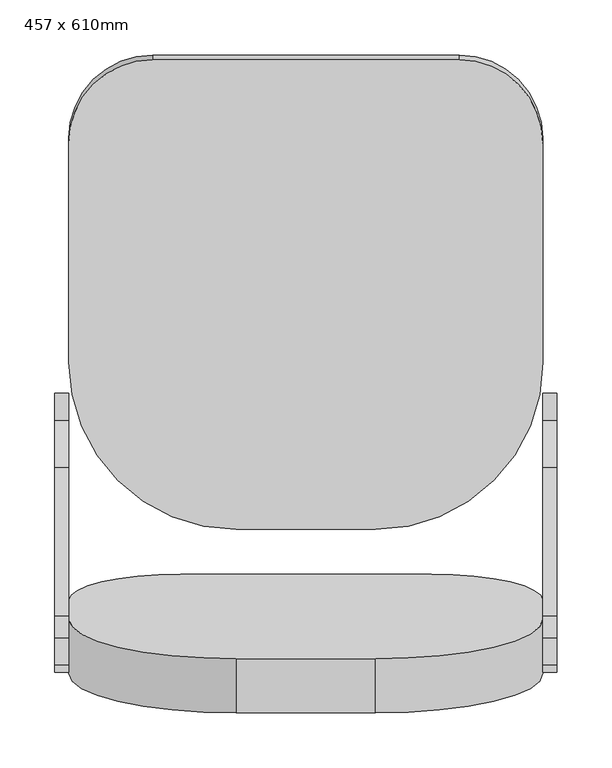
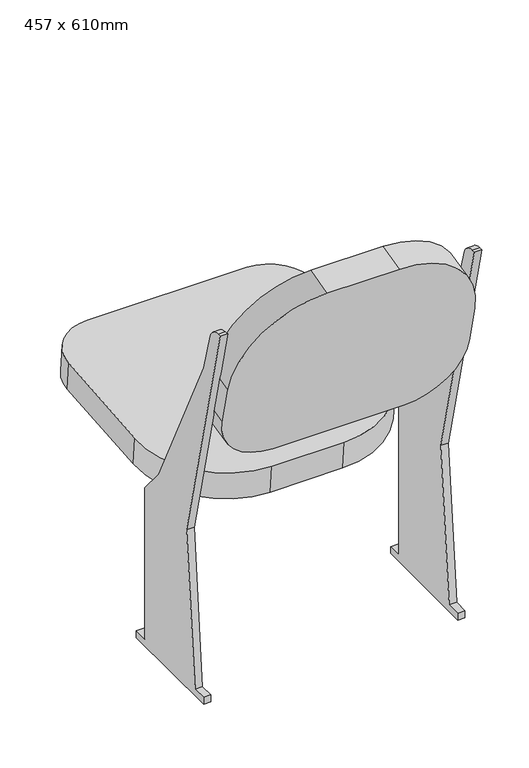
"""IFC4 building model written with IfcOpenShell, lengths in millimetres: furniture geometry, 457 x 610mm."""

from ifc_helpers import new_model, si_unit, point, frame, frame_2d, origin, place, context, project, spatial, polyline, circle_curve, trimmed, segment, composite_curve, outline, extrude, source, transform, mapped, element, save


def furniture_457_x_610mm_3d1d9cbc(model_context):
    return source(origin(), model_context, "Body", "SweptSolid", [
        extrude(outline(composite_curve([segment(polyline([(0.0, 0.0), (127.0, 0.0)]), True, "CONTINUOUS"), segment(trimmed(circle_curve(frame_2d((127.0, -152.4)), 152.4), [point((127.0, 0.0))], [point((279.4, -152.4))], False, "CARTESIAN"), True, "CONTINUOUS"), segment(polyline([(279.4, -152.4), (279.4, -224.0588601)]), True, "CONTINUOUS"), segment(trimmed(circle_curve(frame_2d((177.8, -224.0588601)), 101.6), [point((279.4, -224.0588601))], [point((177.8, -325.6588601))], False, "CARTESIAN"), True, "CONTINUOUS"), segment(polyline([(177.8, -325.6588601), (-50.8, -325.6588601)]), True, "CONTINUOUS"), segment(trimmed(circle_curve(frame_2d((-50.8, -224.0588601)), 101.6), [point((-50.8, -325.6588601))], [point((-152.4, -224.0588601))], False, "CARTESIAN"), True, "CONTINUOUS"), segment(polyline([(-152.4, -224.0588601), (-152.4, -152.4)]), True, "CONTINUOUS"), segment(trimmed(circle_curve(frame_2d((0.0, -152.4)), 152.4), [point((-152.4, -152.4))], [point((0.0, 0.0))], False, "CARTESIAN"), True, "CONTINUOUS")], self_intersect=False)), frame((224.2278689, -101.3396919, 755.9484479), z_axis=(0.0, 0.9717404775047361, 0.23605178325712217), x_axis=(-1.0, 0.0, 0.0)), (0.0, 0.0, 1.0), 50.8),
        extrude(outline(composite_curve([segment(trimmed(circle_curve(frame_2d((0.0, -76.2)), 76.2), [point((0.0, 0.0))], [point((76.2, -76.2))], False, "CARTESIAN"), True, "CONTINUOUS"), segment(polyline([(76.2, -76.2), (76.2, -276.4123505)]), True, "CONTINUOUS"), segment(trimmed(circle_curve(frame_2d((-76.2, -276.4123505)), 152.4), [point((76.2, -276.4123505))], [point((-76.2, -428.8123506))], False, "CARTESIAN"), True, "CONTINUOUS"), segment(polyline([(-76.2, -428.8123506), (-203.2, -428.8123506)]), True, "CONTINUOUS"), segment(trimmed(circle_curve(frame_2d((-203.2, -276.4123505)), 152.4), [point((-203.2, -428.8123506))], [point((-355.6, -276.4123505))], False, "CARTESIAN"), True, "CONTINUOUS"), segment(polyline([(-355.6, -276.4123505), (-355.6, -76.2)]), True, "CONTINUOUS"), segment(trimmed(circle_curve(frame_2d((-279.4, -76.2)), 76.2), [point((-355.6, -76.2))], [point((-279.4, 0.0))], False, "CARTESIAN"), True, "CONTINUOUS"), segment(polyline([(-279.4, 0.0), (0.0, 0.0)]), True, "CONTINUOUS")], self_intersect=False)), frame((300.4278689, 497.5245173, 321.2380213), z_axis=(0.0, -0.08715574274765496, 0.9961946980917459), x_axis=(1.0, 0.0, 0.0)), (0.0, 0.0, 1.0), 50.8),
        extrude(outline(composite_curve([segment(polyline([(-13.3245902, 0.0), (-13.3245902, 12.7), (12.0754098, 12.7), (37.4754098, 292.1), (-64.1245902, 711.2), (-57.883846, 711.2)]), True, "CONTINUOUS"), segment(trimmed(circle_curve(frame_2d((-57.883846, 685.8)), 25.4), [point((-57.883846, 711.2))], [point((-33.4611378, 692.7779166))], False, "CARTESIAN"), True, "CONTINUOUS"), segment(polyline([(-33.4611378, 692.7779166), (-13.3245902, 622.3), (121.8491486, 342.9), (164.4754098, 292.1), (164.4754098, 12.7), (189.8754098, 12.7), (189.8754098, 0.0), (-13.3245902, 0.0)]), True, "CONTINUOUS")], self_intersect=False)), frame((-67.8721311, 0.0, 0.0), z_axis=(1.0, 0.0, 0.0), x_axis=(0.0, 1.0, 0.0)), (0.0, 0.0, 1.0), 12.7),
        extrude(outline(composite_curve([segment(polyline([(-13.3245902, 12.7), (12.0754098, 12.7), (37.4754098, 292.1), (-64.1245902, 711.2), (-57.883846, 711.2)]), True, "CONTINUOUS"), segment(trimmed(circle_curve(frame_2d((-57.883846, 685.8)), 25.4), [point((-57.883846, 711.2))], [point((-33.4611378, 692.7779166))], False, "CARTESIAN"), True, "CONTINUOUS"), segment(polyline([(-33.4611378, 692.7779166), (-13.3245902, 622.3), (121.8491486, 342.9), (164.4754098, 292.1), (164.4754098, 12.7), (189.8754098, 12.7), (189.8754098, 0.0), (-13.3245902, 0.0), (-13.3245902, 12.7)]), True, "CONTINUOUS")], self_intersect=False)), frame((376.6278689, 0.0, 0.0), z_axis=(1.0, 0.0, 0.0), x_axis=(0.0, 1.0, 0.0)), (0.0, 0.0, 1.0), 12.7),
    ])


if __name__ == "__main__":
    model = new_model("IFC4")
    model_context = context("Model", 3, world=origin())
    ifc_project = project(units=[si_unit("LENGTHUNIT", "METRE", prefix="MILLI")], contexts=[model_context])
    site = spatial("IfcSite", under=ifc_project)
    building = spatial("IfcBuilding", under=site)
    placement = place(None, origin())
    furniture_457_x_610mm_shape = furniture_457_x_610mm_3d1d9cbc(model_context)
    element("IfcFurniture", 1, ObjectType="457 x 610mm", at=placement, inside=building, context=model_context, shape_type="MappedRepresentation", body=[
        mapped(furniture_457_x_610mm_shape, transform((0.0, 0.0, 0.0), x_axis=(1.0, 0.0, 0.0), y_axis=(0.0, 1.0, 0.0), z_axis=(0.0, 0.0, 1.0))),
    ])
    save(model, "model.ifc")
